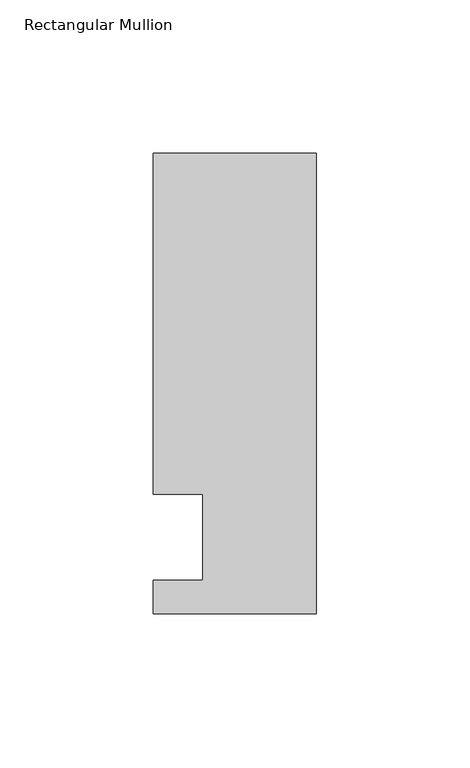
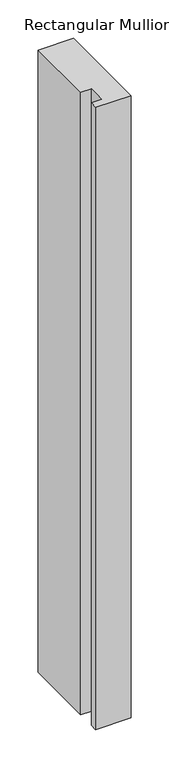
"""IFC4 building model written with IfcOpenShell, lengths in millimetres: member geometry, Rectangular Mullion."""

import ifcopenshell
import ifcopenshell.guid

model = None  # the IFC model being written
_history = None  # IfcOwnerHistory: only IFC2X3 demands one
_inside = {}  # id of a spatial element -> (the spatial element, [elements in it])
_under = {}  # id of a project, library or spatial element -> (it, [spatial elements below it])
_declared = {}  # id of a project -> (the project, [libraries it declares])
_typed = {}  # id of a type object -> (the type object, [elements of that type])
_made_of = {}  # id of a material, layer set ... -> (it, [elements and type objects made of it])


def new_model(schema):
    """Start an empty IFC model of exactly this schema.

    Asked for "IFC4X3", IfcOpenShell would pick the latest addendum, in which some entities
    have other attributes; the version numbers below select the first issue.
    IFC2X3 requires an IfcOwnerHistory on every rooted entity: one is made here for all.
    """
    global model, _history
    if schema == "IFC4X3":
        model = ifcopenshell.file(schema_version=(4, 3, 0, 0))
    else:
        model = ifcopenshell.file(schema=schema)
    _inside.clear()
    _under.clear()
    _declared.clear()
    _typed.clear()
    _made_of.clear()
    _history = None
    if model.schema == "IFC2X3":
        org = make("IfcOrganization", Name="unknown")
        user = make(
            "IfcPersonAndOrganization",
            ThePerson=make("IfcPerson", FamilyName="unknown"),
            TheOrganization=org,
        )
        app = make(
            "IfcApplication",
            ApplicationDeveloper=org,
            Version="unknown",
            ApplicationFullName="unknown",
            ApplicationIdentifier="unknown",
        )
        _history = make(
            "IfcOwnerHistory",
            OwningUser=user,
            OwningApplication=app,
            ChangeAction="ADDED",
            CreationDate=0,
        )
    return model


def make(cls, **values):
    """One entity of the class cls with the attributes given. An attribute that is None is left unset."""
    return model.create_entity(
        cls, **{name: value for name, value in values.items() if value is not None}
    )


def rooted(cls, **values):
    """An entity with a GlobalId (a new one), such as an element, a storey or a relation."""
    return make(cls, GlobalId=ifcopenshell.guid.new(), OwnerHistory=_history, **values)


def si_unit(unit_type, name, prefix=None):
    """IfcSIUnit, for example si_unit("LENGTHUNIT", "METRE", prefix="MILLI")."""
    return make("IfcSIUnit", UnitType=unit_type, Prefix=prefix, Name=name)


def assignment(units):
    """IfcUnitAssignment: the units of a project."""
    return None if units is None else make("IfcUnitAssignment", Units=units)


def point(xyz):
    """IfcCartesianPoint."""
    return None if xyz is None else make("IfcCartesianPoint", Coordinates=xyz)


def direction(xyz):
    """IfcDirection."""
    return None if xyz is None else make("IfcDirection", DirectionRatios=xyz)


def frame(location, z_axis=None, x_axis=None):
    """IfcAxis2Placement3D, a coordinate frame: its origin and axes. An axis left out is left unset."""
    return make(
        "IfcAxis2Placement3D",
        Location=point(location),
        Axis=direction(z_axis),
        RefDirection=direction(x_axis),
    )


def origin():
    """The frame at (0, 0, 0) with its axes left unset."""
    return frame((0.0, 0.0, 0.0))


def place(relative_to, where):
    """IfcLocalPlacement: puts the frame where relative to a parent placement (None: the world)."""
    return make(
        "IfcLocalPlacement", PlacementRelTo=relative_to, RelativePlacement=where
    )


def context(
    kind, dimensions, precision=None, world=None, true_north=None, identifier=None
):
    """IfcGeometricRepresentationContext, for example the 3D "Model" context."""
    return make(
        "IfcGeometricRepresentationContext",
        ContextIdentifier=identifier,
        ContextType=kind,
        CoordinateSpaceDimension=dimensions,
        Precision=precision,
        WorldCoordinateSystem=world,
        TrueNorth=true_north,
    )


def project(units=None, contexts=None):
    """IfcProject with its units and contexts."""
    return rooted(
        "IfcProject",
        Name="project",
        RepresentationContexts=contexts,
        UnitsInContext=assignment(units),
    )


def spatial(cls, under=None, at=None, **own):
    """A site, building, storey or space (cls), placed at a placement, below another one or the project."""
    s = rooted(cls, ObjectPlacement=at, **own)
    if under is not None:
        _under.setdefault(under.id(), (under, []))[1].append(s)
    return s


def polyline(points):
    """IfcPolyline through the points."""
    return make("IfcPolyline", Points=[point(p) for p in points])


def outline(outer, holes=None, kind="AREA"):
    """IfcArbitraryClosedProfileDef: a profile drawn as a closed curve; with holes, ...WithVoids."""
    if holes is None:
        return make("IfcArbitraryClosedProfileDef", ProfileType=kind, OuterCurve=outer)
    return make(
        "IfcArbitraryProfileDefWithVoids",
        ProfileType=kind,
        OuterCurve=outer,
        InnerCurves=holes,
    )


def extrude(swept, where, along, depth):
    """IfcExtrudedAreaSolid: the profile swept, set in the frame where, extruded along a direction by depth."""
    return make(
        "IfcExtrudedAreaSolid",
        SweptArea=swept,
        Position=where,
        ExtrudedDirection=direction(along),
        Depth=depth,
    )


def shape(context_of_items, identifier, shape_type, items):
    """IfcShapeRepresentation: the items that make up one representation, for example the "Body"."""
    return make(
        "IfcShapeRepresentation",
        ContextOfItems=context_of_items,
        RepresentationIdentifier=identifier,
        RepresentationType=shape_type,
        Items=items,
    )


def source(mapping_origin, context_of_items, identifier, shape_type, items):
    """IfcRepresentationMap: a shape defined once, which mapped items show again and again."""
    return make(
        "IfcRepresentationMap",
        MappingOrigin=mapping_origin,
        MappedRepresentation=shape(context_of_items, identifier, shape_type, items),
    )


def transform(
    local_origin,
    x_axis=None,
    y_axis=None,
    z_axis=None,
    scale=None,
    scale2=None,
    scale3=None,
    uniform=True,
):
    """IfcCartesianTransformationOperator3D, or its non-uniform kind. x_axis, y_axis, z_axis: its Axis1, 2, 3."""
    if uniform:
        return make(
            "IfcCartesianTransformationOperator3D",
            Axis1=direction(x_axis),
            Axis2=direction(y_axis),
            LocalOrigin=point(local_origin),
            Scale=scale,
            Axis3=direction(z_axis),
        )
    return make(
        "IfcCartesianTransformationOperator3DnonUniform",
        Axis1=direction(x_axis),
        Axis2=direction(y_axis),
        LocalOrigin=point(local_origin),
        Scale=scale,
        Axis3=direction(z_axis),
        Scale2=scale2,
        Scale3=scale3,
    )


def mapped(mapping_source, mapping_target):
    """IfcMappedItem: shows the shape of a source again, moved by a transform."""
    return make(
        "IfcMappedItem", MappingSource=mapping_source, MappingTarget=mapping_target
    )


def made_of(thing, what):
    """Note that an element or type object is made of a material, layer set ...; save() writes the relation."""
    if what is not None:
        _made_of.setdefault(what.id(), (what, []))[1].append(thing)
    return thing


def element(
    cls,
    number,
    at=None,
    inside=None,
    cuts=None,
    type_object=None,
    material=None,
    context=None,
    identifier="Body",
    shape_type=None,
    held_by="IfcProductDefinitionShape",
    body=None,
    shapes=None,
    **own,
):
    """One element of the class cls, such as IfcWall. Its Tag is "e" and its number.

    at: its placement. inside: the storey or other place that contains it. cuts: it is an
    opening in that element (IfcRelVoidsElement). A single representation is given by context,
    identifier, shape_type and body (its items); several are given by shapes. held_by: the class
    of the entity that holds the representations. save() writes the other relations.
    """
    e = rooted(cls, Tag="e%d" % number, ObjectPlacement=at, **own)
    if body is not None:
        shapes = [shape(context, identifier, shape_type, body)]
    if shapes is not None:
        e.Representation = make(held_by, Representations=shapes)
    if inside is not None:
        _inside.setdefault(inside.id(), (inside, []))[1].append(e)
    if cuts is not None:
        rooted(
            "IfcRelVoidsElement", RelatingBuildingElement=cuts, RelatedOpeningElement=e
        )
    if type_object is not None:
        _typed.setdefault(type_object.id(), (type_object, []))[1].append(e)
    return made_of(e, material)


def aggregate(whole, parts):
    """IfcRelAggregates: a whole, such as a stair, and the parts it consists of."""
    return rooted("IfcRelAggregates", RelatingObject=whole, RelatedObjects=parts)


def save(model, path):
    """Write the relations noted so far, then the file.

    IfcRelAggregates (storeys below a building ...), IfcRelContainedInSpatialStructure (elements
    in a storey), IfcRelDefinesByType, IfcRelAssociatesMaterial and IfcRelDeclares: one each for
    every whole, place, type object, material and project.
    """
    for whole, parts in _under.values():
        aggregate(whole, parts)
    for where, things in _inside.values():
        rooted(
            "IfcRelContainedInSpatialStructure",
            RelatedElements=things,
            RelatingStructure=where,
        )
    for kind, things in _typed.values():
        rooted("IfcRelDefinesByType", RelatedObjects=things, RelatingType=kind)
    for what, things in _made_of.values():
        rooted("IfcRelAssociatesMaterial", RelatedObjects=things, RelatingMaterial=what)
    for by, libraries in _declared.values():
        rooted("IfcRelDeclares", RelatingContext=by, RelatedDefinitions=libraries)
    model.write(path)


def rectangular_mullion_5366eef4(model_context):
    return source(origin(), model_context, "Body", "SweptSolid", [
        extrude(outline(polyline([(-37.0, 14.0), (-53.0, 14.0), (-53.0, 125.0), (0.0, 125.0), (0.0, -25.0), (-53.0, -25.0), (-53.0, -14.0), (-37.0, -14.0), (-37.0, 14.0)])), frame((0.0, 0.0, -990.6623342), z_axis=(0.0, 0.0, 1.0), x_axis=(1.0, 0.0, 0.0)), (0.0, 0.0, 1.0), 990.6623342),
    ])


if __name__ == "__main__":
    model = new_model("IFC4")
    model_context = context("Model", 3, world=origin())
    ifc_project = project(units=[si_unit("LENGTHUNIT", "METRE", prefix="MILLI")], contexts=[model_context])
    site = spatial("IfcSite", under=ifc_project)
    building = spatial("IfcBuilding", under=site)
    placement = place(None, origin())
    rectangular_mullion_shape = rectangular_mullion_5366eef4(model_context)
    element("IfcMember", 1, ObjectType="Rectangular Mullion", at=placement, inside=building, context=model_context, shape_type="MappedRepresentation", body=[
        mapped(rectangular_mullion_shape, transform((0.0, 0.0, 0.0), x_axis=(1.0, 0.0, 0.0), y_axis=(0.0, 1.0, 0.0), z_axis=(0.0, 0.0, 1.0))),
    ])
    save(model, "model.ifc")
